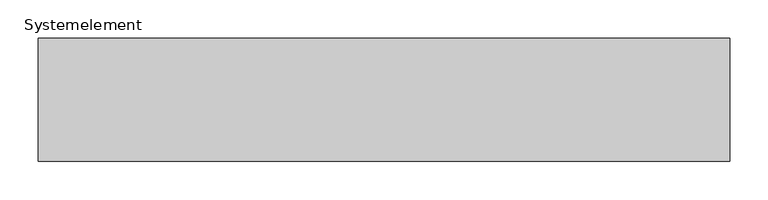
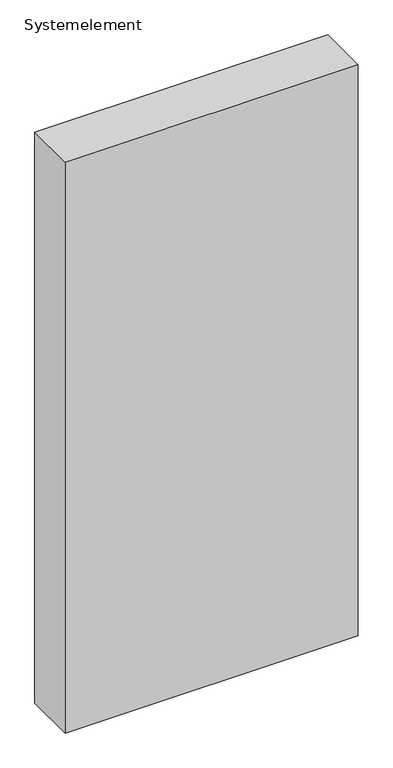
"""IFC4 building model written with IfcOpenShell, lengths in millimetres: plate geometry, Systemelement."""

from ifc_helpers import new_model, si_unit, origin, origin_with_axes, place, context, project, spatial, polyline, outline, extrude, source, transform, mapped, element, save


def systemelement_75a5a0cd(model_context):
    return source(origin(), model_context, "Body", "SweptSolid", [
        extrude(outline(polyline([(450.0, -160.0), (-450.0, -160.0), (-450.0, 0.0), (450.0, 0.0), (450.0, -160.0)])), origin_with_axes(), (0.0, 0.0, 1.0), 1851.6147161),
    ])


if __name__ == "__main__":
    model = new_model("IFC4")
    model_context = context("Model", 3, world=origin())
    ifc_project = project(units=[si_unit("LENGTHUNIT", "METRE", prefix="MILLI")], contexts=[model_context])
    site = spatial("IfcSite", under=ifc_project)
    building = spatial("IfcBuilding", under=site)
    placement = place(None, origin())
    systemelement_shape = systemelement_75a5a0cd(model_context)
    element("IfcPlate", 1, ObjectType="Systemelement", at=placement, inside=building, context=model_context, shape_type="MappedRepresentation", body=[
        mapped(systemelement_shape, transform((0.0, 0.0, 0.0), x_axis=(1.0, 0.0, 0.0), y_axis=(0.0, 1.0, 0.0), z_axis=(0.0, 0.0, 1.0))),
    ])
    save(model, "model.ifc")
